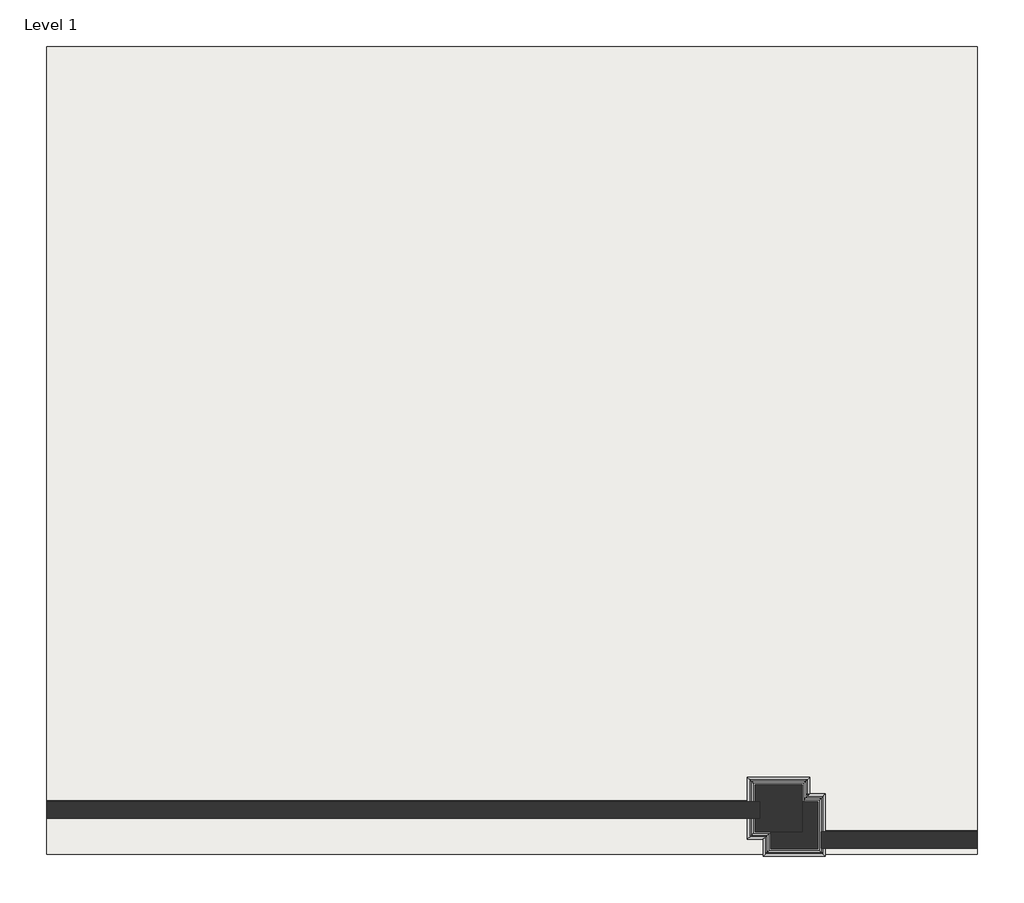
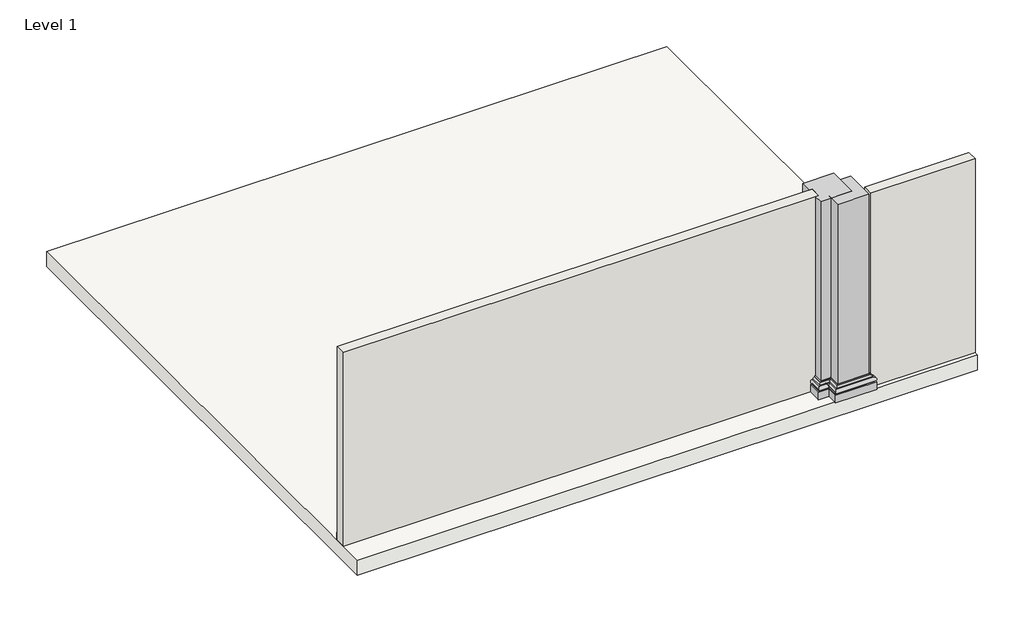
# One storey: 2 columns, 2 proxies, 2 walls, 1 slab.
"""IFC4 building model written with IfcOpenShell, lengths in millimetres."""

from ifc_helpers import new_model, si_unit, frame, origin, origin_with_axes, place, context, project, spatial, polyline, circle_curve, ellipse_curve, outline, extrude, faceted_brep, element, save
from ifc_brep_helpers import plane_surface, cylinder_surface, revolved_surface, advanced_brep

model = new_model("IFC4")

# Units and contexts
model_context = context("Model", 3, world=origin())
ifc_project = project(units=[si_unit("LENGTHUNIT", "METRE", prefix="MILLI")], contexts=[model_context])

# Site, building, storey
site = spatial("IfcSite", under=ifc_project)
building = spatial("IfcBuilding", under=site)
storey = spatial("IfcBuildingStorey", under=building, Name="Level 1", Elevation=0.0)

# Proxies
placement = place(None, origin())
element("IfcBuildingElementProxy", 1, Name="Wall Sweeps", at=placement, inside=storey, context=model_context, shape_type="SweptSolid", body=[
    extrude(outline(polyline([(-5981.9458404, 10942.93774), (-5981.9458404, 10957.93774), (3286.2597842, 10957.93774), (3286.2597842, 10942.93774), (-5981.9458404, 10942.93774)])), origin_with_axes(), (0.0, 0.0, 1.0), 150.0),
])
element("IfcBuildingElementProxy", 2, Name="Wall Sweeps", at=placement, inside=storey, context=model_context, shape_type="SweptSolid", body=[
    extrude(outline(polyline([(4086.2597842, 10552.93774), (4086.2597842, 10567.93774), (6118.0541596, 10567.93774), (6118.0541596, 10552.93774), (4086.2597842, 10552.93774)])), origin_with_axes(), (0.0, 0.0, 1.0), 150.0),
])

# Columns
element("IfcColumn", 3, ObjectType="24\" x 24\"", at=placement, inside=storey, context=model_context, shape_type="SolidModel", body=[
    advanced_brep(
    [(3228.3778342, 10556.2429655, 300.0), (3228.3778342, 10556.2429655, 0.0), (3228.3778342, 10732.93774, 0.0), (3228.3778342, 10732.93774, 300.0), (3208.3778342, 10536.2429655, 280.0), (3208.3778342, 10536.2429655, 300.0), (3208.3778342, 10732.93774, 300.0), (3208.3778342, 10732.93774, 280.0), (3208.3778342, 11185.8429655, 280.0), (3208.3778342, 11185.8429655, 300.0), (3857.9778342, 11185.8429655, 300.0), (3857.9778342, 11185.8429655, 280.0), (3183.7431174, 11210.4776823, 249.3641019), (3882.612551, 11210.4776823, 249.3641019), (3163.8233983, 11230.3974013, 246.3711716), (3902.5322701, 11230.3974013, 246.3711716), (3158.3778342, 11235.8429655, 165.0), (3907.9778342, 11235.8429655, 165.0), (3158.3778342, 11235.8429655, 150.0), (3907.9778342, 11235.8429655, 150.0), (3128.3778342, 11265.8429655, 0.0), (3128.3778342, 11265.8429655, 150.0), (3937.9778342, 11265.8429655, 150.0), (3937.9778342, 11265.8429655, 0.0), (3882.612551, 10511.6082486, 249.3641019), (3902.5322701, 10491.6885296, 246.3711716), (3907.9778342, 10486.2429655, 165.0), (3907.9778342, 10486.2429655, 150.0), (3937.9778342, 10456.2429655, 150.0), (3937.9778342, 10456.2429655, 0.0), (3163.8233983, 10491.6885296, 246.3711716), (3158.3778342, 10486.2429655, 165.0), (3158.3778342, 10486.2429655, 150.0), (3158.3778342, 10732.93774, 150.0), (3128.3778342, 10732.93774, 150.0), (3128.3778342, 10456.2429655, 150.0), (3128.3778342, 10942.93774, 150.0), (3158.3778342, 10942.93774, 150.0), (3128.3778342, 10456.2429655, 0.0), (3128.3778342, 10732.93774, 0.0), (3158.3778342, 10732.93774, 165.0), (3163.8233983, 10732.93774, 246.3711716), (3183.7431174, 10732.93774, 249.3641019), (3228.3778342, 10942.93774, 0.0), (3228.3778342, 10942.93774, 300.0), (3208.3778342, 10942.93774, 300.0), (3208.3778342, 10942.93774, 280.0), (3183.7431174, 10942.93774, 249.3641019), (3163.8233983, 10942.93774, 246.3711716), (3158.3778342, 10942.93774, 165.0), (3128.3778342, 10942.93774, 0.0), (3228.3778342, 11165.8429655, 0.0), (3228.3778342, 11165.8429655, 300.0), (3183.7431174, 10511.6082486, 249.3641019), (3837.9778342, 11165.8429655, 0.0), (3837.9778342, 11165.8429655, 300.0), (3837.9778342, 10556.2429655, 0.0), (3837.9778342, 10556.2429655, 300.0), (3857.9778342, 10536.2429655, 300.0), (3857.9778342, 10536.2429655, 280.0)],
    [
        (0, 1),
        (1, 2),
        (2, 3),
        (3, 0),
        (4, 5),
        (5, 6),
        (6, 7),
        (7, 4),
        (8, 9),
        (9, 10),
        (10, 11),
        (11, 8),
        (12, 8, ellipse_curve(frame((3201.7327722, 11192.4880275, 260.120885), z_axis=(0.7071067811865475, 0.7071067811865475, 0.0), x_axis=(-0.7071067811865476, 0.7071067811865474, 0.0)), 29.6424041, 20.960345)),
        (11, 13, ellipse_curve(frame((3864.6228962, 11192.4880275, 260.120885), z_axis=(-0.7071067811865475, 0.7071067811865475, 0.0), x_axis=(-0.7071067811865476, -0.7071067811865474, 0.0)), 29.6424041, 20.960345)),
        (13, 12),
        (14, 12),
        (13, 15),
        (15, 14),
        (16, 14, ellipse_curve(frame((3170.0261393, 11224.1946604, 205.0882673), z_axis=(0.7071067811865475, 0.7071067811865475, 0.0), x_axis=(-0.7071067811865476, 0.7071067811865474, 0.0)), 59.0381603, 41.7462835)),
        (15, 17, ellipse_curve(frame((3896.3295291, 11224.1946604, 205.0882673), z_axis=(-0.7071067811865475, 0.7071067811865475, 0.0), x_axis=(-0.7071067811865476, -0.7071067811865474, 0.0)), 59.0381603, 41.7462835)),
        (17, 16),
        (18, 16, ellipse_curve(frame((3156.1985859, 11238.0222137, 157.5), z_axis=(-0.7071067811865475, -0.7071067811865475, 0.0), x_axis=(0.7071067811865476, -0.7071067811865474, 0.0)), 11.0452816, 7.8101935)),
        (17, 19, ellipse_curve(frame((3910.1570825, 11238.0222137, 157.5), z_axis=(0.7071067811865475, -0.7071067811865475, 0.0), x_axis=(0.7071067811865476, 0.7071067811865474, 0.0)), 11.0452816, 7.8101935)),
        (19, 18),
        (20, 21),
        (21, 22),
        (22, 23),
        (23, 20),
        (13, 24),
        (24, 25),
        (25, 15),
        (25, 26, ellipse_curve(frame((3896.3295291, 10497.8912705, 205.0882673), z_axis=(0.7071067811865475, 0.7071067811865475, 0.0), x_axis=(-0.7071067811865474, 0.7071067811865476, 0.0)), 59.0381603, 41.7462835)),
        (26, 17),
        (26, 27, ellipse_curve(frame((3910.1570825, 10484.0637172, 157.5), z_axis=(-0.7071067811865475, -0.7071067811865475, 0.0), x_axis=(0.7071067811865474, -0.7071067811865476, 0.0)), 11.0452816, 7.8101935)),
        (27, 19),
        (22, 28),
        (28, 29),
        (29, 23),
        (30, 31, ellipse_curve(frame((3170.0261393, 10497.8912705, 205.0882673), z_axis=(0.7071067811865475, -0.7071067811865475, 0.0), x_axis=(0.7071067811865476, 0.7071067811865474, 0.0)), 59.0381603, 41.7462835)),
        (31, 26),
        (25, 30),
        (31, 32, ellipse_curve(frame((3156.1985859, 10484.0637172, 157.5), z_axis=(-0.7071067811865475, 0.7071067811865475, 0.0), x_axis=(-0.7071067811865476, -0.7071067811865474, 0.0)), 11.0452816, 7.8101935)),
        (32, 27),
        (32, 33),
        (33, 34),
        (34, 35),
        (35, 28),
        (21, 36),
        (36, 37),
        (37, 18),
        (35, 38),
        (38, 29),
        (2, 39),
        (39, 34),
        (33, 40, circle_curve(frame((3156.1985859, 10732.93774, 157.5), z_axis=(0.0, -1.0, 0.0), x_axis=(-1.0, 0.0, 0.0)), 7.8101935)),
        (40, 41, circle_curve(frame((3170.0261393, 10732.93774, 205.0882673), z_axis=(0.0, 1.0, 0.0), x_axis=(-1.0, 0.0, 0.0)), 41.7462835)),
        (41, 42),
        (42, 7, circle_curve(frame((3201.7327722, 10732.93774, 260.120885), z_axis=(0.0, 1.0, 0.0), x_axis=(-1.0, 0.0, 0.0)), 20.960345)),
        (6, 3),
        (43, 44),
        (44, 45),
        (45, 46),
        (46, 47, circle_curve(frame((3201.7327722, 10942.93774, 260.120885), z_axis=(0.0, -1.0, 0.0), x_axis=(-1.0, 0.0, 0.0)), 20.960345)),
        (47, 48),
        (48, 49, circle_curve(frame((3170.0261393, 10942.93774, 205.0882673), z_axis=(0.0, -1.0, 0.0), x_axis=(-1.0, 0.0, 0.0)), 41.7462835)),
        (49, 37, circle_curve(frame((3156.1985859, 10942.93774, 157.5), z_axis=(0.0, 1.0, 0.0), x_axis=(-1.0, 0.0, 0.0)), 7.8101935)),
        (36, 50),
        (50, 43),
        (51, 52),
        (52, 44),
        (43, 51),
        (8, 46),
        (45, 9),
        (12, 47),
        (30, 53),
        (53, 42),
        (41, 30),
        (40, 31),
        (39, 38),
        (51, 54),
        (54, 55),
        (55, 52),
        (54, 56),
        (56, 57),
        (57, 55),
        (10, 58),
        (58, 59),
        (59, 11),
        (59, 24, ellipse_curve(frame((3864.6228962, 10529.5979034, 260.120885), z_axis=(0.7071067811865475, 0.7071067811865475, 0.0), x_axis=(-0.7071067811865474, 0.7071067811865476, 0.0)), 29.6424041, 20.960345)),
        (50, 20),
        (1, 56),
        (0, 57),
        (5, 58),
        (4, 59),
        (4, 53, ellipse_curve(frame((3201.7327722, 10529.5979034, 260.120885), z_axis=(0.7071067811865475, -0.7071067811865475, 0.0), x_axis=(0.7071067811865476, 0.7071067811865474, 0.0)), 29.6424041, 20.960345)),
        (53, 24),
        (14, 48),
        (16, 49),
    ],
    [
        plane_surface(frame((3228.3778342, 10556.2429655, 0.0), z_axis=(1.0, 0.0, 0.0), x_axis=(0.0, 1.0, 0.0))),
        plane_surface(frame((3208.3778342, 10536.2429655, 300.0), z_axis=(-1.0, 0.0, 0.0), x_axis=(0.0, 1.0, 0.0))),
        plane_surface(frame((3208.3778342, 11185.8429655, 300.0), z_axis=(0.0, 1.0, 0.0), x_axis=(1.0, 0.0, 0.0))),
        cylinder_surface(frame((3228.3778342, 11192.4880275, 260.120885), z_axis=(-1.0, 0.0, 0.0), x_axis=(0.0, 1.0, 0.0)), 20.960345),
        plane_surface(frame((3183.7431174, 11210.4776823, 249.3641019), z_axis=(0.0, 0.14858187240447315, 0.9889001098153347), x_axis=(1.0, 0.0, 0.0))),
        cylinder_surface(frame((3228.3778342, 11224.1946604, 205.0882673), z_axis=(-1.0, 0.0, 0.0), x_axis=(0.0, 1.0, 0.0)), 41.7462835),
        revolved_surface(polyline([(3917.967276019475, 11245.8324072, 157.5), (3148.388392380525, 11245.8324072, 157.5)]), (3228.3778342, 11238.0222137, 157.5), (1.0, 0.0, 0.0)),
        plane_surface(frame((3128.3778342, 11265.8429655, 150.0), z_axis=(0.0, 1.0, 0.0), x_axis=(1.0, 0.0, 0.0))),
        plane_surface(frame((3882.612551, 11210.4776823, 249.3641019), z_axis=(0.14858187240447315, 0.0, 0.9889001098153347), x_axis=(0.0, -1.0, 0.0))),
        cylinder_surface(frame((3896.3295291, 11165.8429655, 205.0882673), z_axis=(0.0, 1.0, 0.0), x_axis=(1.0, 0.0, 0.0)), 41.7462835),
        revolved_surface(polyline([(3917.967276, 10476.253523680525, 157.5), (3917.967276, 11245.832407219475, 157.5)]), (3910.1570825, 11165.8429655, 157.5), (0.0, -1.0, 0.0)),
        plane_surface(frame((3937.9778342, 11265.8429655, 150.0), z_axis=(1.0, 0.0, 0.0), x_axis=(0.0, -1.0, 0.0))),
        cylinder_surface(frame((3837.9778342, 10497.8912705, 205.0882673), z_axis=(1.0, 0.0, 0.0), x_axis=(0.0, -1.0, 0.0)), 41.7462835),
        revolved_surface(polyline([(3148.388392380525, 10476.253523700001, 157.5), (3917.967276019475, 10476.253523700001, 157.5)]), (3837.9778342, 10484.0637172, 157.5), (-1.0, 0.0, 0.0)),
        plane_surface(frame((3907.9778342, 10486.2429655, 150.0), z_axis=(0.0, 0.0, 1.0), x_axis=(-1.0, 0.0, 0.0))),
        plane_surface(frame((3937.9778342, 10456.2429655, 150.0), z_axis=(0.0, -1.0, 0.0), x_axis=(-1.0, 0.0, 0.0))),
        plane_surface(frame((-2385.7324771, 10732.93774, 0.0), z_axis=(0.0, 1.0, 0.0), x_axis=(1.0, 0.0, 0.0))),
        plane_surface(frame((-2385.7324771, 10942.93774, 0.0), z_axis=(0.0, -1.0, 0.0), x_axis=(-1.0, 0.0, 0.0))),
        cylinder_surface(frame((3201.7327722, 10556.2429655, 260.120885), z_axis=(0.0, -1.0, 0.0), x_axis=(-1.0, 0.0, 0.0)), 20.960345),
        plane_surface(frame((3183.7431174, 10511.6082486, 249.3641019), z_axis=(-0.14858187240447315, 0.0, 0.9889001098153347), x_axis=(0.0, 1.0, 0.0))),
        cylinder_surface(frame((3170.0261393, 10556.2429655, 205.0882673), z_axis=(0.0, -1.0, 0.0), x_axis=(-1.0, 0.0, 0.0)), 41.7462835),
        revolved_surface(polyline([(3148.3883924, 10732.93774, 157.5), (3148.3883924, 10476.253523680525, 157.5)]), (3156.1985859, 10556.2429655, 157.5), (0.0, 1.0, 0.0)),
        plane_surface(frame((3128.3778342, 10456.2429655, 150.0), z_axis=(-1.0, 0.0, 0.0), x_axis=(0.0, 1.0, 0.0))),
        plane_surface(frame((3228.3778342, 11165.8429655, 0.0), z_axis=(0.0, -1.0, 0.0), x_axis=(1.0, 0.0, 0.0))),
        plane_surface(frame((3837.9778342, 11165.8429655, 0.0), z_axis=(-1.0, 0.0, 0.0), x_axis=(0.0, -1.0, 0.0))),
        plane_surface(frame((3857.9778342, 11185.8429655, 300.0), z_axis=(1.0, 0.0, 0.0), x_axis=(0.0, -1.0, 0.0))),
        cylinder_surface(frame((3864.6228962, 11165.8429655, 260.120885), z_axis=(0.0, 1.0, 0.0), x_axis=(1.0, 0.0, 0.0)), 20.960345),
        plane_surface(frame((3937.9778342, 10456.2429655, 0.0), z_axis=(0.0, 0.0, -1.0), x_axis=(-1.0, 0.0, 0.0))),
        plane_surface(frame((3837.9778342, 10556.2429655, 0.0), z_axis=(0.0, 1.0, 0.0), x_axis=(-1.0, 0.0, 0.0))),
        plane_surface(frame((3837.9778342, 10556.2429655, 300.0), z_axis=(0.0, 0.0, 1.0), x_axis=(-1.0, 0.0, 0.0))),
        plane_surface(frame((3857.9778342, 10536.2429655, 300.0), z_axis=(0.0, -1.0, 0.0), x_axis=(-1.0, 0.0, 0.0))),
        cylinder_surface(frame((3837.9778342, 10529.5979034, 260.120885), z_axis=(1.0, 0.0, 0.0), x_axis=(0.0, -1.0, 0.0)), 20.960345),
        plane_surface(frame((3882.612551, 10511.6082486, 249.3641019), z_axis=(0.0, -0.14858187240447315, 0.9889001098153347), x_axis=(-1.0, 0.0, 0.0))),
        revolved_surface(polyline([(3148.3883924, 11245.832407219475, 157.5), (3148.3883924, 10942.93774, 157.5)]), (3156.1985859, 10556.2429655, 157.5), (0.0, 1.0, 0.0)),
    ],
    [
        (0, [[1, 2, 3, 4]]),
        (1, [[5, 6, 7, 8]]),
        (2, [[9, 10, 11, 12]]),
        (3, [[13, -12, 14, 15]]),
        (4, [[16, -15, 17, 18]]),
        (5, [[19, -18, 20, 21]]),
        (6, [[22, -21, 23, 24]]),
        (7, [[25, 26, 27, 28]]),
        (8, [[-17, 29, 30, 31]]),
        (9, [[-20, -31, 32, 33]]),
        (10, [[-23, -33, 34, 35]]),
        (11, [[-27, 36, 37, 38]]),
        (12, [[39, 40, -32, 41]]),
        (13, [[42, 43, -34, -40]]),
        (14, [[-24, -35, -43, 44, 45, 46, 47, -36, -26, 48, 49, 50]]),
        (15, [[51, 52, -37, -47]]),
        (16, [[-3, 53, 54, -45, 55, 56, 57, 58, -7, 59]]),
        (17, [[60, 61, 62, 63, 64, 65, 66, -49, 67, 68]]),
        (0, [[69, 70, -60, 71]]),
        (1, [[-9, 72, -62, 73]]),
        (18, [[-13, 74, -63, -72]]),
        (19, [[75, 76, -57, 77]]),
        (20, [[-39, -77, -56, 78]]),
        (21, [[-42, -78, -55, -44]]),
        (22, [[-51, -46, -54, 79]]),
        (23, [[-69, 80, 81, 82]]),
        (24, [[-81, 83, 84, 85]]),
        (25, [[-11, 86, 87, 88]]),
        (26, [[-14, -88, 89, -29]]),
        (27, [[-80, -71, -68, 90, -28, -38, -52, -79, -53, -2, 91, -83]]),
        (28, [[-1, 92, -84, -91]]),
        (29, [[-82, -85, -92, -4, -59, -6, 93, -86, -10, -73, -61, -70]]),
        (30, [[-5, 94, -87, -93]]),
        (31, [[95, 96, -89, -94]]),
        (32, [[-75, -41, -30, -96]]),
        (18, [[-95, -8, -58, -76]]),
        (19, [[-16, 97, -64, -74]]),
        (20, [[-19, 98, -65, -97]]),
        (33, [[-22, -50, -66, -98]]),
        (22, [[-25, -90, -67, -48]]),
    ],
),
    extrude(outline(polyline([(3837.9778342, 11165.8429655), (3837.9778342, 10556.2429655), (3228.3778342, 10556.2429655), (3228.3778342, 10732.93774), (3286.2597842, 10732.93774), (3286.2597842, 10942.93774), (3228.3778342, 10942.93774), (3228.3778342, 11165.8429655), (3837.9778342, 11165.8429655)])), origin_with_axes(), (0.0, 0.0, 1.0), 4000.0),
])
element("IfcColumn", 4, ObjectType="24\" x 24\"", at=placement, inside=storey, context=model_context, shape_type="SolidModel", body=[
    advanced_brep(
    [(3431.6597842, 10336.93774, 300.0), (3431.6597842, 10336.93774, 0.0), (3431.6597842, 10946.53774, 0.0), (3431.6597842, 10946.53774, 300.0), (3411.6597842, 10316.93774, 280.0), (3411.6597842, 10316.93774, 300.0), (3411.6597842, 10966.53774, 300.0), (3411.6597842, 10966.53774, 280.0), (4061.2597842, 10966.53774, 300.0), (4061.2597842, 10966.53774, 280.0), (3387.0250674, 10991.1724568, 249.3641019), (4085.894501, 10991.1724568, 249.3641019), (3367.1053483, 11011.0921759, 246.3711716), (4105.8142201, 11011.0921759, 246.3711716), (3361.6597842, 11016.53774, 165.0), (4111.2597842, 11016.53774, 165.0), (3361.6597842, 11016.53774, 150.0), (4111.2597842, 11016.53774, 150.0), (3331.6597842, 11046.53774, 0.0), (3331.6597842, 11046.53774, 150.0), (4141.2597842, 11046.53774, 150.0), (4141.2597842, 11046.53774, 0.0), (4085.894501, 10292.3030232, 249.3641019), (4105.8142201, 10272.3833041, 246.3711716), (4105.8142201, 10342.93774, 246.3711716), (4086.2597842, 10342.93774, 249.3092183), (4086.2597842, 10552.93774, 249.3092183), (4105.8142201, 10552.93774, 246.3711716), (4111.2597842, 10266.93774, 165.0), (4111.2597842, 10342.93774, 165.0), (4111.2597842, 10552.93774, 165.0), (4111.2597842, 10552.93774, 150.0), (4141.2597842, 10552.93774, 150.0), (4141.2597842, 10552.93774, 0.0), (3367.1053483, 10272.3833041, 246.3711716), (3361.6597842, 10266.93774, 165.0), (3361.6597842, 10266.93774, 150.0), (4111.2597842, 10266.93774, 150.0), (3331.6597842, 10236.93774, 150.0), (4141.2597842, 10236.93774, 150.0), (4141.2597842, 10342.93774, 150.0), (4111.2597842, 10342.93774, 150.0), (3331.6597842, 10236.93774, 0.0), (4141.2597842, 10236.93774, 0.0), (4086.2597842, 10342.93774, 0.0), (4141.2597842, 10342.93774, 0.0), (4086.2597842, 10552.93774, 0.0), (4086.2597842, 10342.93774, 270.24177), (4086.2597842, 10342.93774, 250.0), (4086.2597842, 10552.93774, 250.0), (4086.2597842, 10552.93774, 270.24177), (3387.0250674, 10292.3030232, 249.3641019), (4041.2597842, 10946.53774, 0.0), (4041.2597842, 10946.53774, 300.0), (4041.2597842, 10336.93774, 0.0), (4041.2597842, 10336.93774, 300.0), (4061.2597842, 10316.93774, 300.0), (4061.2597842, 10316.93774, 280.0)],
    [
        (0, 1),
        (1, 2),
        (2, 3),
        (3, 0),
        (4, 5),
        (5, 6),
        (6, 7),
        (7, 4),
        (6, 8),
        (8, 9),
        (9, 7),
        (10, 7, ellipse_curve(frame((3405.0147222, 10973.182802, 260.120885), z_axis=(0.7071067811865475, 0.7071067811865475, 0.0), x_axis=(-0.7071067811865476, 0.7071067811865474, 0.0)), 29.6424041, 20.960345)),
        (9, 11, ellipse_curve(frame((4067.9048463, 10973.182802, 260.120885), z_axis=(-0.7071067811865475, 0.7071067811865475, 0.0), x_axis=(-0.7071067811865476, -0.7071067811865474, 0.0)), 29.6424041, 20.960345)),
        (11, 10),
        (12, 10),
        (11, 13),
        (13, 12),
        (14, 12, ellipse_curve(frame((3373.3080893, 11004.8894349, 205.0882673), z_axis=(0.7071067811865475, 0.7071067811865475, 0.0), x_axis=(-0.7071067811865476, 0.7071067811865474, 0.0)), 59.0381603, 41.7462835)),
        (13, 15, ellipse_curve(frame((4099.6114792, 11004.8894349, 205.0882673), z_axis=(-0.7071067811865475, 0.7071067811865475, 0.0), x_axis=(-0.7071067811865476, -0.7071067811865474, 0.0)), 59.0381603, 41.7462835)),
        (15, 14),
        (16, 14, ellipse_curve(frame((3359.4805359, 11018.7169883, 157.5), z_axis=(-0.7071067811865475, -0.7071067811865475, 0.0), x_axis=(0.7071067811865476, -0.7071067811865474, 0.0)), 11.0452816, 7.8101935)),
        (15, 17, ellipse_curve(frame((4113.4390325, 11018.7169883, 157.5), z_axis=(0.7071067811865475, -0.7071067811865475, 0.0), x_axis=(0.7071067811865476, 0.7071067811865474, 0.0)), 11.0452816, 7.8101935)),
        (17, 16),
        (18, 19),
        (19, 20),
        (20, 21),
        (21, 18),
        (11, 22),
        (22, 23),
        (23, 24),
        (24, 25),
        (25, 26),
        (26, 27),
        (27, 13),
        (23, 28, ellipse_curve(frame((4099.6114792, 10278.586045, 205.0882673), z_axis=(0.7071067811865475, 0.7071067811865475, 0.0), x_axis=(-0.7071067811865474, 0.7071067811865476, 0.0)), 59.0381603, 41.7462835)),
        (28, 29),
        (29, 24, circle_curve(frame((4099.6114792, 10342.93774, 205.0882673), z_axis=(0.0, -1.0, 0.0), x_axis=(1.0, 0.0, 0.0)), 41.7462835)),
        (15, 30),
        (30, 31, circle_curve(frame((4113.4390325, 10552.93774, 157.5), z_axis=(0.0, -1.0, 0.0), x_axis=(1.0, 0.0, 0.0)), 7.8101935)),
        (31, 17),
        (20, 32),
        (32, 33),
        (33, 21),
        (34, 35, ellipse_curve(frame((3373.3080893, 10278.586045, 205.0882673), z_axis=(0.7071067811865475, -0.7071067811865475, 0.0), x_axis=(0.7071067811865476, 0.7071067811865474, 0.0)), 59.0381603, 41.7462835)),
        (35, 28),
        (23, 34),
        (35, 36, ellipse_curve(frame((3359.4805359, 10264.7584917, 157.5), z_axis=(-0.7071067811865475, 0.7071067811865475, 0.0), x_axis=(-0.7071067811865476, -0.7071067811865474, 0.0)), 11.0452816, 7.8101935)),
        (36, 37),
        (37, 28, ellipse_curve(frame((4113.4390325, 10264.7584917, 157.5), z_axis=(0.7071067811865475, 0.7071067811865475, 0.0), x_axis=(-0.7071067811865476, 0.7071067811865474, 0.0)), 11.0452816, 7.8101935)),
        (19, 38),
        (38, 39),
        (39, 40),
        (40, 41),
        (41, 37),
        (36, 16),
        (31, 32),
        (38, 42),
        (42, 43),
        (43, 39),
        (44, 25),
        (29, 41, circle_curve(frame((4113.4390325, 10342.93774, 157.5), z_axis=(0.0, -1.0, 0.0), x_axis=(1.0, 0.0, 0.0)), 7.8101935)),
        (40, 45),
        (45, 44),
        (26, 46),
        (46, 33),
        (30, 27, circle_curve(frame((4099.6114792, 10552.93774, 205.0882673), z_axis=(0.0, -1.0, 0.0), x_axis=(1.0, 0.0, 0.0)), 41.7462835)),
        (47, 48),
        (48, 49),
        (49, 50),
        (50, 47),
        (51, 4, ellipse_curve(frame((3405.0147222, 10310.2926779, 260.120885), z_axis=(-0.7071067811865475, 0.7071067811865475, 0.0), x_axis=(-0.7071067811865474, -0.7071067811865476, 0.0)), 29.6424041, 20.960345)),
        (10, 51),
        (34, 51),
        (12, 34),
        (14, 35),
        (18, 42),
        (2, 52),
        (52, 53),
        (53, 3),
        (52, 54),
        (54, 55),
        (55, 53),
        (8, 56),
        (56, 57),
        (57, 9),
        (57, 22, ellipse_curve(frame((4067.9048463, 10310.2926779, 260.120885), z_axis=(0.7071067811865475, 0.7071067811865475, 0.0), x_axis=(-0.7071067811865474, 0.7071067811865476, 0.0)), 29.6424041, 20.960345)),
        (48, 47, circle_curve(frame((4067.9048463, 10342.93774, 260.120885), z_axis=(0.0, -1.0, 0.0), x_axis=(1.0, 0.0, 0.0)), 20.960345)),
        (50, 49, circle_curve(frame((4067.9048463, 10552.93774, 260.120885), z_axis=(0.0, 1.0, 0.0), x_axis=(1.0, 0.0, 0.0)), 20.960345)),
        (46, 44),
        (45, 43),
        (1, 54),
        (0, 55),
        (5, 56),
        (4, 57),
        (51, 22),
    ],
    [
        plane_surface(frame((3431.6597842, 10336.93774, 0.0), z_axis=(1.0, 0.0, 0.0), x_axis=(0.0, 1.0, 0.0))),
        plane_surface(frame((3411.6597842, 10316.93774, 300.0), z_axis=(-1.0, 0.0, 0.0), x_axis=(0.0, 1.0, 0.0))),
        plane_surface(frame((3411.6597842, 10966.53774, 300.0), z_axis=(0.0, 1.0, 0.0), x_axis=(1.0, 0.0, 0.0))),
        cylinder_surface(frame((3431.6597842, 10973.182802, 260.120885), z_axis=(-1.0, 0.0, 0.0), x_axis=(0.0, 1.0, 0.0)), 20.960345),
        plane_surface(frame((3387.0250674, 10991.1724568, 249.3641019), z_axis=(0.0, 0.14858187240447315, 0.9889001098153347), x_axis=(1.0, 0.0, 0.0))),
        cylinder_surface(frame((3431.6597842, 11004.8894349, 205.0882673), z_axis=(-1.0, 0.0, 0.0), x_axis=(0.0, 1.0, 0.0)), 41.7462835),
        revolved_surface(polyline([(4121.249226019476, 11026.5271818, 157.5), (3351.670342380525, 11026.5271818, 157.5)]), (3431.6597842, 11018.7169883, 157.5), (1.0, 0.0, 0.0)),
        plane_surface(frame((3331.6597842, 11046.53774, 150.0), z_axis=(0.0, 1.0, 0.0), x_axis=(1.0, 0.0, 0.0))),
        plane_surface(frame((4085.894501, 10991.1724568, 249.3641019), z_axis=(0.14858187240447315, 0.0, 0.9889001098153347), x_axis=(0.0, -1.0, 0.0))),
        cylinder_surface(frame((4099.6114792, 10946.53774, 205.0882673), z_axis=(0.0, 1.0, 0.0), x_axis=(1.0, 0.0, 0.0)), 41.7462835),
        revolved_surface(polyline([(4121.249226000001, 10552.93774, 157.5), (4121.249226000001, 11026.527181819476, 157.5)]), (4113.4390325, 10946.53774, 157.5), (0.0, -1.0, 0.0)),
        plane_surface(frame((4141.2597842, 11046.53774, 150.0), z_axis=(1.0, 0.0, 0.0), x_axis=(0.0, -1.0, 0.0))),
        cylinder_surface(frame((4041.2597842, 10278.586045, 205.0882673), z_axis=(1.0, 0.0, 0.0), x_axis=(0.0, -1.0, 0.0)), 41.7462835),
        revolved_surface(polyline([(3351.670342380525, 10256.9482982, 157.5), (4121.249226019476, 10256.9482982, 157.5)]), (4041.2597842, 10264.7584917, 157.5), (-1.0, 0.0, 0.0)),
        plane_surface(frame((4111.2597842, 10266.93774, 150.0), z_axis=(0.0, 0.0, 1.0), x_axis=(-1.0, 0.0, 0.0))),
        plane_surface(frame((4141.2597842, 10236.93774, 150.0), z_axis=(0.0, -1.0, 0.0), x_axis=(-1.0, 0.0, 0.0))),
        plane_surface(frame((4086.2597842, 10342.93774, 0.0), z_axis=(0.0, 1.0, 0.0), x_axis=(1.0, 0.0, 0.0))),
        plane_surface(frame((4086.2597842, 10552.93774, 0.0), z_axis=(0.0, -1.0, 0.0), x_axis=(-1.0, 0.0, 0.0))),
        plane_surface(frame((4086.2597842, 10342.93774, 4000.0), z_axis=(1.0, 0.0, 0.0), x_axis=(0.0, 1.0, 0.0))),
        cylinder_surface(frame((3405.0147222, 10336.93774, 260.120885), z_axis=(0.0, -1.0, 0.0), x_axis=(-1.0, 0.0, 0.0)), 20.960345),
        plane_surface(frame((3387.0250674, 10292.3030232, 249.3641019), z_axis=(-0.14858187240447315, 0.0, 0.9889001098153347), x_axis=(0.0, 1.0, 0.0))),
        cylinder_surface(frame((3373.3080893, 10336.93774, 205.0882673), z_axis=(0.0, -1.0, 0.0), x_axis=(-1.0, 0.0, 0.0)), 41.7462835),
        revolved_surface(polyline([(3351.6703424, 11026.527181819476, 157.5), (3351.6703424, 10256.948298180525, 157.5)]), (3359.4805359, 10336.93774, 157.5), (0.0, 1.0, 0.0)),
        plane_surface(frame((3331.6597842, 10236.93774, 150.0), z_axis=(-1.0, 0.0, 0.0), x_axis=(0.0, 1.0, 0.0))),
        plane_surface(frame((3431.6597842, 10946.53774, 0.0), z_axis=(0.0, -1.0, 0.0), x_axis=(1.0, 0.0, 0.0))),
        plane_surface(frame((4041.2597842, 10946.53774, 0.0), z_axis=(-1.0, 0.0, 0.0), x_axis=(0.0, -1.0, 0.0))),
        plane_surface(frame((4061.2597842, 10966.53774, 300.0), z_axis=(1.0, 0.0, 0.0), x_axis=(0.0, -1.0, 0.0))),
        cylinder_surface(frame((4067.9048463, 10946.53774, 260.120885), z_axis=(0.0, 1.0, 0.0), x_axis=(1.0, 0.0, 0.0)), 20.960345),
        plane_surface(frame((4141.2597842, 10236.93774, 0.0), z_axis=(0.0, 0.0, -1.0), x_axis=(-1.0, 0.0, 0.0))),
        plane_surface(frame((4041.2597842, 10336.93774, 0.0), z_axis=(0.0, 1.0, 0.0), x_axis=(-1.0, 0.0, 0.0))),
        plane_surface(frame((4041.2597842, 10336.93774, 300.0), z_axis=(0.0, 0.0, 1.0), x_axis=(-1.0, 0.0, 0.0))),
        plane_surface(frame((4061.2597842, 10316.93774, 300.0), z_axis=(0.0, -1.0, 0.0), x_axis=(-1.0, 0.0, 0.0))),
        cylinder_surface(frame((4041.2597842, 10310.2926779, 260.120885), z_axis=(1.0, 0.0, 0.0), x_axis=(0.0, -1.0, 0.0)), 20.960345),
        plane_surface(frame((4085.894501, 10292.3030232, 249.3641019), z_axis=(0.0, -0.14858187240447315, 0.9889001098153347), x_axis=(-1.0, 0.0, 0.0))),
        revolved_surface(polyline([(4121.249226000001, 10256.948298180525, 157.5), (4121.249226000001, 10342.93774, 157.5)]), (4113.4390325, 10946.53774, 157.5), (0.0, -1.0, 0.0)),
    ],
    [
        (0, [[1, 2, 3, 4]]),
        (1, [[5, 6, 7, 8]]),
        (2, [[-7, 9, 10, 11]]),
        (3, [[12, -11, 13, 14]]),
        (4, [[15, -14, 16, 17]]),
        (5, [[18, -17, 19, 20]]),
        (6, [[21, -20, 22, 23]]),
        (7, [[24, 25, 26, 27]]),
        (8, [[-16, 28, 29, 30, 31, 32, 33, 34]]),
        (9, [[35, 36, 37, -30]]),
        (10, [[-22, 38, 39, 40]]),
        (11, [[-26, 41, 42, 43]]),
        (12, [[44, 45, -35, 46]]),
        (13, [[47, 48, 49, -45]]),
        (14, [[50, 51, 52, 53, 54, -48, 55, -23, -40, 56, -41, -25]]),
        (15, [[57, 58, 59, -51]]),
        (16, [[60, -31, -37, 61, -53, 62, 63]]),
        (17, [[64, 65, -42, -56, -39, 66, -33]]),
        (18, [[67, 68, 69, 70]]),
        (19, [[71, -8, -12, 72]]),
        (20, [[73, -72, -15, 74]]),
        (21, [[-44, -74, -18, 75]]),
        (22, [[-47, -75, -21, -55]]),
        (23, [[-57, -50, -24, 76]]),
        (24, [[-3, 77, 78, 79]]),
        (25, [[-78, 80, 81, 82]]),
        (26, [[-10, 83, 84, 85]]),
        (27, [[-13, -85, 86, -28], [87, -70, 88, -68]]),
        (28, [[-58, -76, -27, -43, -65, 89, -63, 90], [-2, 91, -80, -77]]),
        (29, [[-1, 92, -81, -91]]),
        (30, [[-6, 93, -83, -9], [-4, -79, -82, -92]]),
        (31, [[-5, 94, -84, -93]]),
        (32, [[-71, 95, -86, -94]]),
        (33, [[-73, -46, -29, -95]]),
        (9, [[-19, -34, -66, -38]]),
        (34, [[-49, -54, -61, -36]]),
        (11, [[-59, -90, -62, -52]]),
        (16, [[-67, -87]]),
        (17, [[-69, -88]]),
        (18, [[-60, -89, -64, -32]]),
    ],
),
    extrude(outline(polyline([(4041.2597842, 10946.53774), (4041.2597842, 10336.93774), (3431.6597842, 10336.93774), (3431.6597842, 10946.53774), (4041.2597842, 10946.53774)])), origin_with_axes(), (0.0, 0.0, 1.0), 4000.0),
])

# Slab
element("IfcSlab", 5, ObjectType="Floor 1", at=placement, inside=storey, context=model_context, shape_type="SweptSolid", body=[
    extrude(outline(polyline([(-5981.9458404, 10261.611669), (-5981.9458404, 20761.611669), (6118.0541596, 20761.611669), (6118.0541596, 10261.611669), (-5981.9458404, 10261.611669)])), frame((0.0, 0.0, -310.0), z_axis=(0.0, 0.0, 1.0), x_axis=(1.0, 0.0, 0.0)), (0.0, 0.0, 1.0), 310.0),
])

# Walls
element("IfcWall", 6, ObjectType="Wall 20", at=placement, inside=storey, context=model_context, shape_type="Brep", body=[
    faceted_brep([(-5981.9458404, 10732.93774, 0.0), (3128.3778342, 10732.93774, 0.0), (3228.3778342, 10732.93774, 0.0), (3286.2597842, 10732.93774, 0.0), (3286.2597842, 10732.93774, 4000.0), (3228.3778342, 10732.93774, 4000.0), (-5981.9458404, 10732.93774, 4000.0), (-5981.9458404, 10942.93774, 0.0), (-5981.9458404, 10942.93774, 150.0), (-5981.9458404, 10942.93774, 4000.0), (3228.3778342, 10942.93774, 4000.0), (3286.2597842, 10942.93774, 4000.0), (3286.2597842, 10942.93774, 150.0), (3286.2597842, 10942.93774, 0.0), (3228.3778342, 10942.93774, 0.0), (3128.3778342, 10942.93774, 0.0)], [[[0, 1, 2, 3, 4, 5, 6]], [[7, 8, 9, 10, 11, 12, 13, 14, 15]], [[3, 2, 1, 0, 7, 15, 14, 13]], [[4, 3, 13, 12, 11]], [[6, 5, 4, 11, 10, 9]], [[0, 6, 9, 8, 7]]]),
])
element("IfcWall", 7, ObjectType="Wall 20", at=placement, inside=storey, context=model_context, shape_type="Brep", body=[
    faceted_brep([(4086.2597842, 10342.93774, 0.0), (4141.2597842, 10342.93774, 0.0), (6118.0541596, 10342.93774, 0.0), (6118.0541596, 10342.93774, 4000.0), (4086.2597842, 10342.93774, 4000.0), (4086.2597842, 10342.93774, 270.24177), (4086.2597842, 10342.93774, 250.0), (4086.2597842, 10342.93774, 249.3092183), (4086.2597842, 10552.93774, 0.0), (4086.2597842, 10552.93774, 150.0), (4086.2597842, 10552.93774, 249.3092183), (4086.2597842, 10552.93774, 250.0), (4086.2597842, 10552.93774, 270.24177), (4086.2597842, 10552.93774, 4000.0), (6118.0541596, 10552.93774, 4000.0), (6118.0541596, 10552.93774, 150.0), (6118.0541596, 10552.93774, 0.0), (4141.2597842, 10552.93774, 0.0)], [[[0, 1, 2, 3, 4, 5, 6, 7]], [[8, 9, 10, 11, 12, 13, 14, 15, 16, 17]], [[2, 1, 0, 8, 17, 16]], [[3, 2, 16, 15, 14]], [[4, 3, 14, 13]], [[0, 7, 6, 5, 4, 13, 12, 11, 10, 9, 8]]]),
])

save(model, "model.ifc")
